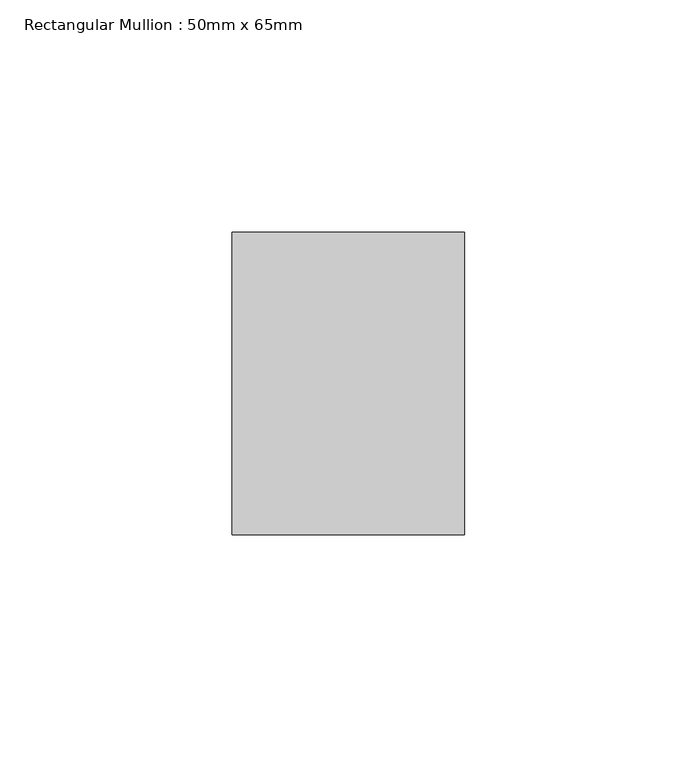
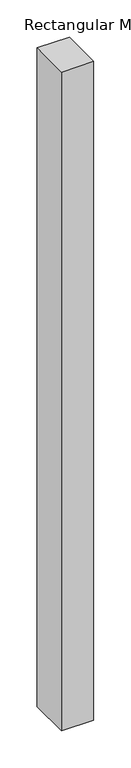
"""IFC4 building model written with IfcOpenShell, lengths in millimetres: member geometry, Rectangular Mullion : 50mm x 65mm."""

from ifc_helpers import new_model, si_unit, frame, origin, place, context, project, spatial, polyline, outline, extrude, source, transform, mapped, element, save


def rectangular_mullion_50mm_x_65mm_60c8e6b4(model_context):
    return source(origin(), model_context, "Body", "SweptSolid", [
        extrude(outline(polyline([(25.0, 32.5), (25.0, -32.5), (-25.0, -32.5), (-25.0, 32.5), (25.0, 32.5)])), frame((0.0, 0.0, -1078.0450743), z_axis=(0.0, 0.0, 1.0), x_axis=(1.0, 0.0, 0.0)), (0.0, 0.0, 1.0), 1078.0450743),
    ])


if __name__ == "__main__":
    model = new_model("IFC4")
    model_context = context("Model", 3, world=origin())
    ifc_project = project(units=[si_unit("LENGTHUNIT", "METRE", prefix="MILLI")], contexts=[model_context])
    site = spatial("IfcSite", under=ifc_project)
    building = spatial("IfcBuilding", under=site)
    placement = place(None, origin())
    rectangular_mullion_50mm_x_65mm_shape = rectangular_mullion_50mm_x_65mm_60c8e6b4(model_context)
    element("IfcMember", 1, ObjectType="Rectangular Mullion : 50mm x 65mm", at=placement, inside=building, context=model_context, shape_type="MappedRepresentation", body=[
        mapped(rectangular_mullion_50mm_x_65mm_shape, transform((0.0, 0.0, 0.0), x_axis=(1.0, 0.0, 0.0), y_axis=(0.0, 1.0, 0.0), z_axis=(0.0, 0.0, 1.0))),
    ])
    save(model, "model.ifc")
